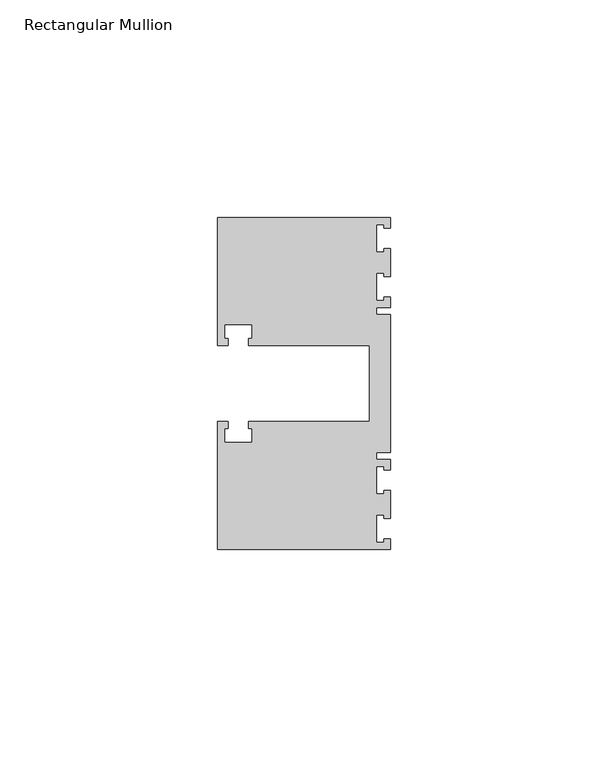
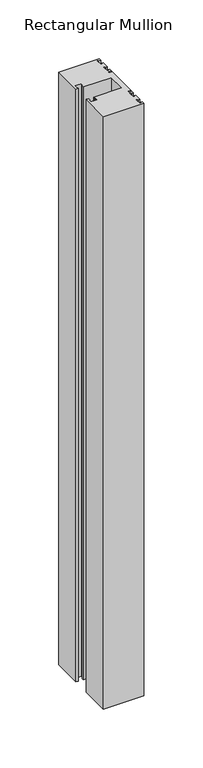
"""IFC4 building model written with IfcOpenShell, lengths in millimetres: member geometry, Rectangular Mullion."""

from ifc_helpers import new_model, si_unit, frame, origin, place, context, project, spatial, polyline, outline, extrude, source, transform, mapped, element, save


def rectangular_mullion_f2b0209a(model_context):
    return source(origin(), model_context, "Body", "SweptSolid", [
        extrude(outline(polyline([(0.0, -38.1), (-39.6875, -38.1), (-39.6875, -8.73125), (-37.30625, -8.73125), (-37.30625, -10.31875), (-38.1, -10.31875), (-38.1, -13.49375), (-31.75, -13.49375), (-31.75, -10.31875), (-32.54375, -10.31875), (-32.54375, -8.73125), (-4.8585733, -8.73125), (-4.8585733, 8.73125), (-32.54375, 8.73125), (-32.54375, 10.31875), (-31.75, 10.31875), (-31.75, 13.49375), (-38.1, 13.49375), (-38.1, 10.31875), (-37.30625, 10.31875), (-37.30625, 8.73125), (-39.6875, 8.73125), (-39.6875, 38.1), (0.0, 38.1), (0.0, 35.71875), (-1.4999946, 35.71875), (-1.4999946, 36.5125), (-3.175, 36.5125), (-3.175, 30.1625), (-1.4999946, 30.1625), (-1.4999946, 30.95625), (0.0, 30.95625), (0.0, 24.60625), (-1.4999946, 24.60625), (-1.4999946, 25.4), (-3.175, 25.4), (-3.175, 19.05), (-1.4999946, 19.05), (-1.4999946, 19.84375), (0.0, 19.84375), (0.0, 17.4625), (-3.175, 17.4625), (-3.175, 15.875), (0.0, 15.875), (0.0, -15.875), (-3.175, -15.875), (-3.175, -17.4625), (0.0, -17.4625), (0.0, -19.84375), (-1.4999946, -19.84375), (-1.4999946, -19.05), (-3.175, -19.05), (-3.175, -25.4), (-1.4999946, -25.4), (-1.4999946, -24.60625), (0.0, -24.60625), (0.0, -30.95625), (-1.4999946, -30.95625), (-1.4999946, -30.1625), (-3.175, -30.1625), (-3.175, -36.5125), (-1.4999946, -36.5125), (-1.4999946, -35.71875), (0.0, -35.71875), (0.0, -38.1)])), frame((0.0, 0.0, -615.95), z_axis=(0.0, 0.0, 1.0), x_axis=(1.0, 0.0, 0.0)), (0.0, 0.0, 1.0), 615.95),
    ])


if __name__ == "__main__":
    model = new_model("IFC4")
    model_context = context("Model", 3, world=origin())
    ifc_project = project(units=[si_unit("LENGTHUNIT", "METRE", prefix="MILLI")], contexts=[model_context])
    site = spatial("IfcSite", under=ifc_project)
    building = spatial("IfcBuilding", under=site)
    placement = place(None, origin())
    rectangular_mullion_shape = rectangular_mullion_f2b0209a(model_context)
    element("IfcMember", 1, ObjectType="Rectangular Mullion", at=placement, inside=building, context=model_context, shape_type="MappedRepresentation", body=[
        mapped(rectangular_mullion_shape, transform((0.0, 0.0, 0.0), x_axis=(1.0, 0.0, 0.0), y_axis=(0.0, 1.0, 0.0), z_axis=(0.0, 0.0, 1.0))),
    ])
    save(model, "model.ifc")
